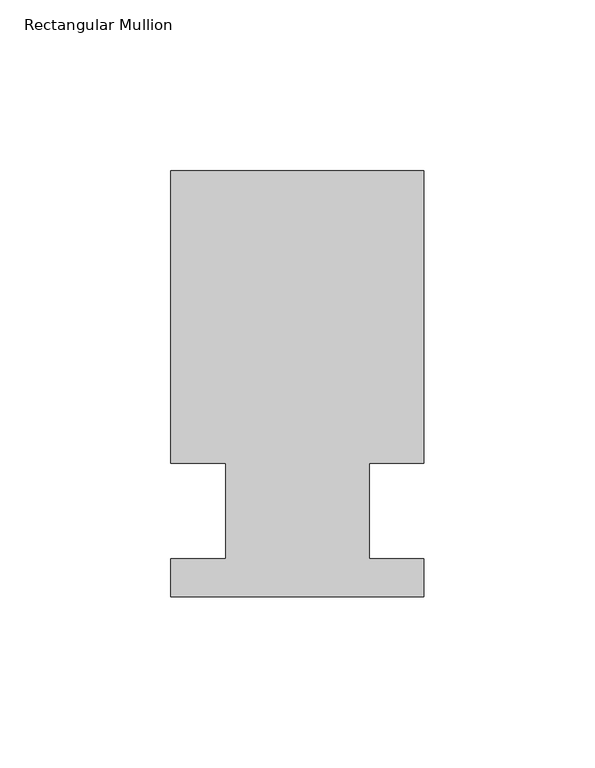
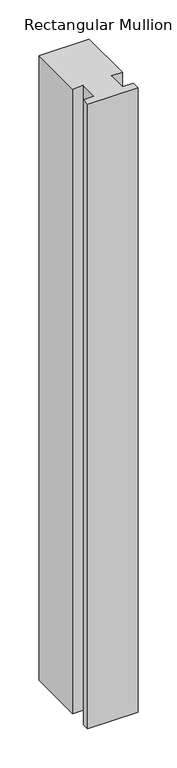
"""IFC4 building model written with IfcOpenShell, lengths in millimetres: member geometry, Rectangular Mullion."""

import ifcopenshell
import ifcopenshell.guid

model = None  # the IFC model being written
_history = None  # IfcOwnerHistory: only IFC2X3 demands one
_inside = {}  # id of a spatial element -> (the spatial element, [elements in it])
_under = {}  # id of a project, library or spatial element -> (it, [spatial elements below it])
_declared = {}  # id of a project -> (the project, [libraries it declares])
_typed = {}  # id of a type object -> (the type object, [elements of that type])
_made_of = {}  # id of a material, layer set ... -> (it, [elements and type objects made of it])


def new_model(schema):
    """Start an empty IFC model of exactly this schema.

    Asked for "IFC4X3", IfcOpenShell would pick the latest addendum, in which some entities
    have other attributes; the version numbers below select the first issue.
    IFC2X3 requires an IfcOwnerHistory on every rooted entity: one is made here for all.
    """
    global model, _history
    if schema == "IFC4X3":
        model = ifcopenshell.file(schema_version=(4, 3, 0, 0))
    else:
        model = ifcopenshell.file(schema=schema)
    _inside.clear()
    _under.clear()
    _declared.clear()
    _typed.clear()
    _made_of.clear()
    _history = None
    if model.schema == "IFC2X3":
        org = make("IfcOrganization", Name="unknown")
        user = make(
            "IfcPersonAndOrganization",
            ThePerson=make("IfcPerson", FamilyName="unknown"),
            TheOrganization=org,
        )
        app = make(
            "IfcApplication",
            ApplicationDeveloper=org,
            Version="unknown",
            ApplicationFullName="unknown",
            ApplicationIdentifier="unknown",
        )
        _history = make(
            "IfcOwnerHistory",
            OwningUser=user,
            OwningApplication=app,
            ChangeAction="ADDED",
            CreationDate=0,
        )
    return model


def make(cls, **values):
    """One entity of the class cls with the attributes given. An attribute that is None is left unset."""
    return model.create_entity(
        cls, **{name: value for name, value in values.items() if value is not None}
    )


def rooted(cls, **values):
    """An entity with a GlobalId (a new one), such as an element, a storey or a relation."""
    return make(cls, GlobalId=ifcopenshell.guid.new(), OwnerHistory=_history, **values)


def si_unit(unit_type, name, prefix=None):
    """IfcSIUnit, for example si_unit("LENGTHUNIT", "METRE", prefix="MILLI")."""
    return make("IfcSIUnit", UnitType=unit_type, Prefix=prefix, Name=name)


def assignment(units):
    """IfcUnitAssignment: the units of a project."""
    return None if units is None else make("IfcUnitAssignment", Units=units)


def point(xyz):
    """IfcCartesianPoint."""
    return None if xyz is None else make("IfcCartesianPoint", Coordinates=xyz)


def direction(xyz):
    """IfcDirection."""
    return None if xyz is None else make("IfcDirection", DirectionRatios=xyz)


def frame(location, z_axis=None, x_axis=None):
    """IfcAxis2Placement3D, a coordinate frame: its origin and axes. An axis left out is left unset."""
    return make(
        "IfcAxis2Placement3D",
        Location=point(location),
        Axis=direction(z_axis),
        RefDirection=direction(x_axis),
    )


def origin():
    """The frame at (0, 0, 0) with its axes left unset."""
    return frame((0.0, 0.0, 0.0))


def place(relative_to, where):
    """IfcLocalPlacement: puts the frame where relative to a parent placement (None: the world)."""
    return make(
        "IfcLocalPlacement", PlacementRelTo=relative_to, RelativePlacement=where
    )


def context(
    kind, dimensions, precision=None, world=None, true_north=None, identifier=None
):
    """IfcGeometricRepresentationContext, for example the 3D "Model" context."""
    return make(
        "IfcGeometricRepresentationContext",
        ContextIdentifier=identifier,
        ContextType=kind,
        CoordinateSpaceDimension=dimensions,
        Precision=precision,
        WorldCoordinateSystem=world,
        TrueNorth=true_north,
    )


def project(units=None, contexts=None):
    """IfcProject with its units and contexts."""
    return rooted(
        "IfcProject",
        Name="project",
        RepresentationContexts=contexts,
        UnitsInContext=assignment(units),
    )


def spatial(cls, under=None, at=None, **own):
    """A site, building, storey or space (cls), placed at a placement, below another one or the project."""
    s = rooted(cls, ObjectPlacement=at, **own)
    if under is not None:
        _under.setdefault(under.id(), (under, []))[1].append(s)
    return s


def polyline(points):
    """IfcPolyline through the points."""
    return make("IfcPolyline", Points=[point(p) for p in points])


def outline(outer, holes=None, kind="AREA"):
    """IfcArbitraryClosedProfileDef: a profile drawn as a closed curve; with holes, ...WithVoids."""
    if holes is None:
        return make("IfcArbitraryClosedProfileDef", ProfileType=kind, OuterCurve=outer)
    return make(
        "IfcArbitraryProfileDefWithVoids",
        ProfileType=kind,
        OuterCurve=outer,
        InnerCurves=holes,
    )


def extrude(swept, where, along, depth):
    """IfcExtrudedAreaSolid: the profile swept, set in the frame where, extruded along a direction by depth."""
    return make(
        "IfcExtrudedAreaSolid",
        SweptArea=swept,
        Position=where,
        ExtrudedDirection=direction(along),
        Depth=depth,
    )


def shape(context_of_items, identifier, shape_type, items):
    """IfcShapeRepresentation: the items that make up one representation, for example the "Body"."""
    return make(
        "IfcShapeRepresentation",
        ContextOfItems=context_of_items,
        RepresentationIdentifier=identifier,
        RepresentationType=shape_type,
        Items=items,
    )


def source(mapping_origin, context_of_items, identifier, shape_type, items):
    """IfcRepresentationMap: a shape defined once, which mapped items show again and again."""
    return make(
        "IfcRepresentationMap",
        MappingOrigin=mapping_origin,
        MappedRepresentation=shape(context_of_items, identifier, shape_type, items),
    )


def transform(
    local_origin,
    x_axis=None,
    y_axis=None,
    z_axis=None,
    scale=None,
    scale2=None,
    scale3=None,
    uniform=True,
):
    """IfcCartesianTransformationOperator3D, or its non-uniform kind. x_axis, y_axis, z_axis: its Axis1, 2, 3."""
    if uniform:
        return make(
            "IfcCartesianTransformationOperator3D",
            Axis1=direction(x_axis),
            Axis2=direction(y_axis),
            LocalOrigin=point(local_origin),
            Scale=scale,
            Axis3=direction(z_axis),
        )
    return make(
        "IfcCartesianTransformationOperator3DnonUniform",
        Axis1=direction(x_axis),
        Axis2=direction(y_axis),
        LocalOrigin=point(local_origin),
        Scale=scale,
        Axis3=direction(z_axis),
        Scale2=scale2,
        Scale3=scale3,
    )


def mapped(mapping_source, mapping_target):
    """IfcMappedItem: shows the shape of a source again, moved by a transform."""
    return make(
        "IfcMappedItem", MappingSource=mapping_source, MappingTarget=mapping_target
    )


def made_of(thing, what):
    """Note that an element or type object is made of a material, layer set ...; save() writes the relation."""
    if what is not None:
        _made_of.setdefault(what.id(), (what, []))[1].append(thing)
    return thing


def element(
    cls,
    number,
    at=None,
    inside=None,
    cuts=None,
    type_object=None,
    material=None,
    context=None,
    identifier="Body",
    shape_type=None,
    held_by="IfcProductDefinitionShape",
    body=None,
    shapes=None,
    **own,
):
    """One element of the class cls, such as IfcWall. Its Tag is "e" and its number.

    at: its placement. inside: the storey or other place that contains it. cuts: it is an
    opening in that element (IfcRelVoidsElement). A single representation is given by context,
    identifier, shape_type and body (its items); several are given by shapes. held_by: the class
    of the entity that holds the representations. save() writes the other relations.
    """
    e = rooted(cls, Tag="e%d" % number, ObjectPlacement=at, **own)
    if body is not None:
        shapes = [shape(context, identifier, shape_type, body)]
    if shapes is not None:
        e.Representation = make(held_by, Representations=shapes)
    if inside is not None:
        _inside.setdefault(inside.id(), (inside, []))[1].append(e)
    if cuts is not None:
        rooted(
            "IfcRelVoidsElement", RelatingBuildingElement=cuts, RelatedOpeningElement=e
        )
    if type_object is not None:
        _typed.setdefault(type_object.id(), (type_object, []))[1].append(e)
    return made_of(e, material)


def aggregate(whole, parts):
    """IfcRelAggregates: a whole, such as a stair, and the parts it consists of."""
    return rooted("IfcRelAggregates", RelatingObject=whole, RelatedObjects=parts)


def save(model, path):
    """Write the relations noted so far, then the file.

    IfcRelAggregates (storeys below a building ...), IfcRelContainedInSpatialStructure (elements
    in a storey), IfcRelDefinesByType, IfcRelAssociatesMaterial and IfcRelDeclares: one each for
    every whole, place, type object, material and project.
    """
    for whole, parts in _under.values():
        aggregate(whole, parts)
    for where, things in _inside.values():
        rooted(
            "IfcRelContainedInSpatialStructure",
            RelatedElements=things,
            RelatingStructure=where,
        )
    for kind, things in _typed.values():
        rooted("IfcRelDefinesByType", RelatedObjects=things, RelatingType=kind)
    for what, things in _made_of.values():
        rooted("IfcRelAssociatesMaterial", RelatedObjects=things, RelatingMaterial=what)
    for by, libraries in _declared.values():
        rooted("IfcRelDeclares", RelatingContext=by, RelatedDefinitions=libraries)
    model.write(path)


def rectangular_mullion_7c08e251(model_context):
    return source(origin(), model_context, "Body", "SweptSolid", [
        extrude(outline(polyline([(-20.9800745, 13.9998907), (-37.0, 13.9998907), (-37.0, 99.5), (37.0, 99.5), (37.0, 13.9998907), (20.9800745, 13.9998907), (20.9800745, -14.0), (36.9800745, -14.0), (36.9800745, -25.0), (-37.0, -25.0), (-37.0, -14.0), (-20.9800745, -14.0), (-20.9800745, 13.9998907)])), frame((0.0, 0.0, -973.9398405), z_axis=(0.0, 0.0, 1.0), x_axis=(1.0, 0.0, 0.0)), (0.0, 0.0, 1.0), 973.9398405),
    ])


if __name__ == "__main__":
    model = new_model("IFC4")
    model_context = context("Model", 3, world=origin())
    ifc_project = project(units=[si_unit("LENGTHUNIT", "METRE", prefix="MILLI")], contexts=[model_context])
    site = spatial("IfcSite", under=ifc_project)
    building = spatial("IfcBuilding", under=site)
    placement = place(None, origin())
    rectangular_mullion_shape = rectangular_mullion_7c08e251(model_context)
    element("IfcMember", 1, ObjectType="Rectangular Mullion", at=placement, inside=building, context=model_context, shape_type="MappedRepresentation", body=[
        mapped(rectangular_mullion_shape, transform((0.0, 0.0, 0.0), x_axis=(1.0, 0.0, 0.0), y_axis=(0.0, 1.0, 0.0), z_axis=(0.0, 0.0, 1.0))),
    ])
    save(model, "model.ifc")
